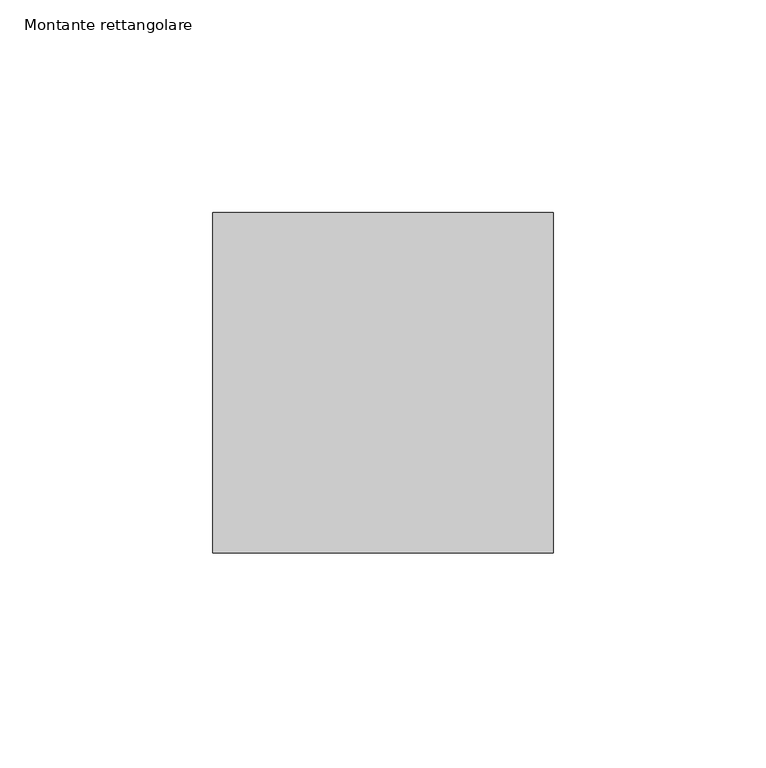
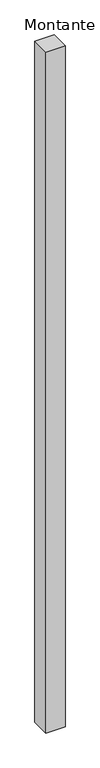
"""IFC4 building model written with IfcOpenShell, lengths in millimetres: member geometry, Montante rettangolare."""

from ifc_helpers import new_model, si_unit, frame, origin, place, context, project, spatial, polyline, outline, extrude, source, transform, mapped, element, save


def montante_rettangolare_a0de32f9(model_context):
    return source(origin(), model_context, "Body", "SweptSolid", [
        extrude(outline(polyline([(0.0, 40.0), (0.0, -40.0), (-80.0, -40.0), (-80.0, 40.0), (0.0, 40.0)])), frame((0.0, 0.0, -3013.9182091), z_axis=(0.0, 0.0, 1.0), x_axis=(1.0, 0.0, 0.0)), (0.0, 0.0, 1.0), 3013.9182091),
    ])


if __name__ == "__main__":
    model = new_model("IFC4")
    model_context = context("Model", 3, world=origin())
    ifc_project = project(units=[si_unit("LENGTHUNIT", "METRE", prefix="MILLI")], contexts=[model_context])
    site = spatial("IfcSite", under=ifc_project)
    building = spatial("IfcBuilding", under=site)
    placement = place(None, origin())
    montante_rettangolare_shape = montante_rettangolare_a0de32f9(model_context)
    element("IfcMember", 1, ObjectType="Montante rettangolare", at=placement, inside=building, context=model_context, shape_type="MappedRepresentation", body=[
        mapped(montante_rettangolare_shape, transform((0.0, 0.0, 0.0), x_axis=(1.0, 0.0, 0.0), y_axis=(0.0, 1.0, 0.0), z_axis=(0.0, 0.0, 1.0))),
    ])
    save(model, "model.ifc")
